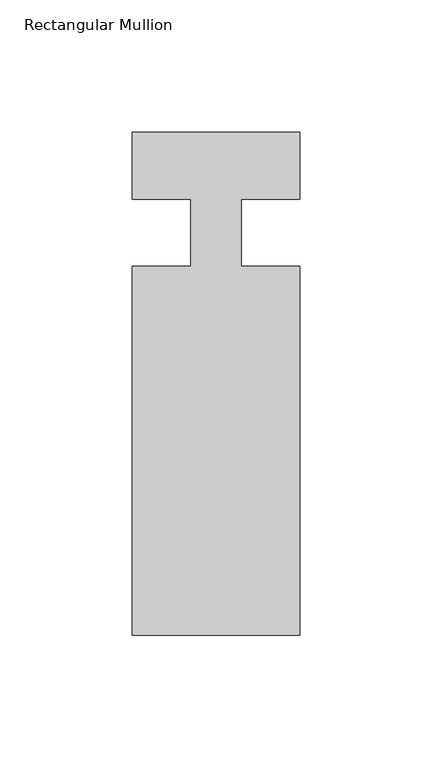
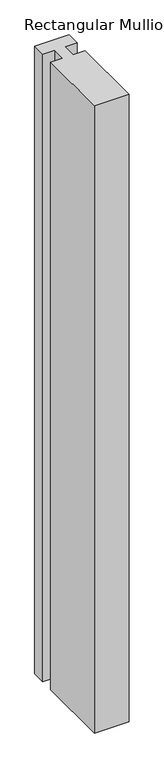
"""IFC4 building model written with IfcOpenShell, lengths in millimetres: member geometry, Rectangular Mullion."""

from ifc_helpers import new_model, si_unit, frame, origin, place, context, project, spatial, polyline, outline, extrude, source, transform, mapped, element, save


def rectangular_mullion_22412b0f(model_context):
    return source(origin(), model_context, "Body", "SweptSolid", [
        extrude(outline(polyline([(31.7499939, -152.3999975), (-31.7500061, -152.3999975), (-31.7500061, -12.7000025), (-9.5251193, -12.7000025), (-9.5251193, 12.7248022), (-31.7500061, 12.7248022), (-31.7500061, 38.0999975), (31.7499939, 38.0999975), (31.7499939, 12.7042851), (9.5251071, 12.7042851), (9.5251071, -12.7000025), (31.7499939, -12.7000025), (31.7499939, -152.3999975)])), frame((0.0, 0.0, -1219.2), z_axis=(0.0, 0.0, 1.0), x_axis=(1.0, 0.0, 0.0)), (0.0, 0.0, 1.0), 1219.2),
    ])


if __name__ == "__main__":
    model = new_model("IFC4")
    model_context = context("Model", 3, world=origin())
    ifc_project = project(units=[si_unit("LENGTHUNIT", "METRE", prefix="MILLI")], contexts=[model_context])
    site = spatial("IfcSite", under=ifc_project)
    building = spatial("IfcBuilding", under=site)
    placement = place(None, origin())
    rectangular_mullion_shape = rectangular_mullion_22412b0f(model_context)
    element("IfcMember", 1, ObjectType="Rectangular Mullion", at=placement, inside=building, context=model_context, shape_type="MappedRepresentation", body=[
        mapped(rectangular_mullion_shape, transform((0.0, 0.0, 0.0), x_axis=(1.0, 0.0, 0.0), y_axis=(0.0, 1.0, 0.0), z_axis=(0.0, 0.0, 1.0))),
    ])
    save(model, "model.ifc")
